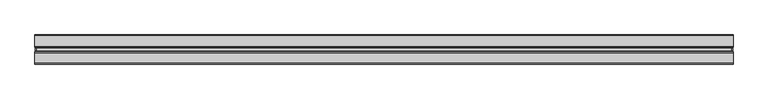
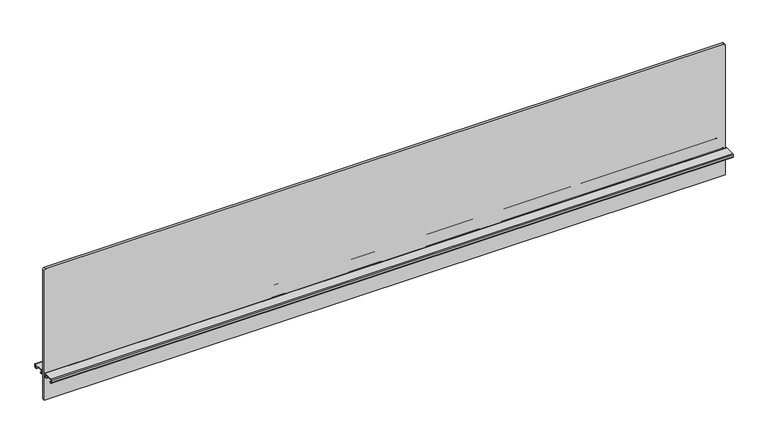
"""IFC4 building model written with IfcOpenShell, lengths in millimetres: furniture geometry."""

from ifc_helpers import new_model, si_unit, point, frame, frame_2d, origin, place, context, project, spatial, polyline, circle_curve, trimmed, segment, composite_curve, outline, extrude, source, transform, mapped, element, save


def furniture_8ca163fc(model_context):
    return source(origin(), model_context, "Body", "SweptSolid", [
        extrude(outline(composite_curve([segment(polyline([(1061.059613, 909.32), (1061.059613, -909.32)]), True, "CONTINUOUS"), segment(trimmed(circle_curve(frame_2d((1057.249613, -909.32)), 3.81), [point((1061.059613, -909.32))], [point((1057.249613, -913.13))], False, "CARTESIAN"), True, "CONTINUOUS"), segment(polyline([(1057.249613, -913.13), (689.965613, -913.13), (689.965613, 913.13), (1057.249613, 913.13)]), True, "CONTINUOUS"), segment(trimmed(circle_curve(frame_2d((1057.249613, 909.32)), 3.81), [point((1057.249613, 913.13))], [point((1061.059613, 909.32))], False, "CARTESIAN"), True, "CONTINUOUS")], self_intersect=False)), frame((0.0, -3.683001, 0.0), z_axis=(0.0, 1.0, 0.0), x_axis=(0.0, 0.0, 1.0)), (0.0, 0.0, 1.0), 7.3660021),
        extrude(outline(composite_curve([segment(polyline([(8.1724496, 769.2644064), (36.0679996, 769.2644064)]), True, "CONTINUOUS"), segment(trimmed(circle_curve(frame_2d((36.0679996, 767.2324064)), 2.032), [point((36.0679996, 769.2644064))], [point((38.0999996, 767.2324064))], False, "CARTESIAN"), True, "CONTINUOUS"), segment(polyline([(38.0999996, 767.2324064), (38.0999996, 761.1364161)]), True, "CONTINUOUS"), segment(trimmed(circle_curve(frame_2d((36.0679996, 761.1364161)), 2.032), [point((38.0999996, 761.1364161))], [point((36.0679996, 759.1044161))], False, "CARTESIAN"), True, "CONTINUOUS"), segment(polyline([(36.0679996, 759.1044161), (30.7784504, 759.1044161), (30.7784504, 760.0187498), (36.1695996, 760.0187498)]), True, "CONTINUOUS"), segment(trimmed(circle_curve(frame_2d((36.1695996, 761.0347498)), 1.016), [point((36.1695996, 760.0187498))], [point((37.1855996, 761.0347498))], True, "CARTESIAN"), True, "CONTINUOUS"), segment(polyline([(37.1855996, 761.0347498), (37.1855996, 767.334)]), True, "CONTINUOUS"), segment(trimmed(circle_curve(frame_2d((36.1695996, 767.334)), 1.016), [point((37.1855996, 767.334))], [point((36.1695996, 768.35))], True, "CARTESIAN"), True, "CONTINUOUS"), segment(polyline([(36.1695996, 768.35), (8.0708496, 768.35)]), True, "CONTINUOUS"), segment(trimmed(circle_curve(frame_2d((8.0708496, 767.334)), 1.016), [point((8.0708496, 768.35))], [point((7.0548496, 767.334))], True, "CARTESIAN"), True, "CONTINUOUS"), segment(polyline([(7.0548496, 767.334), (7.0548496, 761.0347498)]), True, "CONTINUOUS"), segment(trimmed(circle_curve(frame_2d((8.0708496, 761.0347498)), 1.016), [point((7.0548496, 761.0347498))], [point((8.0708496, 760.0187498))], True, "CARTESIAN"), True, "CONTINUOUS"), segment(polyline([(8.0708496, 760.0187498), (13.4619988, 760.0187498), (13.4619988, 759.1044161), (8.1724496, 759.1044161)]), True, "CONTINUOUS"), segment(trimmed(circle_curve(frame_2d((8.1724496, 761.1364161)), 2.032), [point((8.1724496, 759.1044161))], [point((6.1404496, 761.1364161))], False, "CARTESIAN"), True, "CONTINUOUS"), segment(polyline([(6.1404496, 761.1364161), (6.1404496, 767.2324064)]), True, "CONTINUOUS"), segment(trimmed(circle_curve(frame_2d((8.1724496, 767.2324064)), 2.032), [point((6.1404496, 767.2324064))], [point((8.1724496, 769.2644064))], False, "CARTESIAN"), True, "CONTINUOUS")], self_intersect=False)), frame((-914.4, 0.0, 0.0), z_axis=(1.0, 0.0, 0.0), x_axis=(0.0, 1.0, 0.0)), (0.0, 0.0, 1.0), 1828.8),
        extrude(outline(composite_curve([segment(trimmed(circle_curve(frame_2d((-8.1724496, 767.2324064)), 2.032), [point((-8.1724496, 769.2644064))], [point((-6.1404496, 767.2324064))], False, "CARTESIAN"), True, "CONTINUOUS"), segment(polyline([(-6.1404496, 767.2324064), (-6.1404496, 761.1364161)]), True, "CONTINUOUS"), segment(trimmed(circle_curve(frame_2d((-8.1724496, 761.1364161)), 2.032), [point((-6.1404496, 761.1364161))], [point((-8.1724496, 759.1044161))], False, "CARTESIAN"), True, "CONTINUOUS"), segment(polyline([(-8.1724496, 759.1044161), (-13.4619988, 759.1044161), (-13.4619988, 760.0187498), (-8.0708496, 760.0187498)]), True, "CONTINUOUS"), segment(trimmed(circle_curve(frame_2d((-8.0708496, 761.0347498)), 1.016), [point((-8.0708496, 760.0187498))], [point((-7.0548496, 761.0347498))], True, "CARTESIAN"), True, "CONTINUOUS"), segment(polyline([(-7.0548496, 761.0347498), (-7.0548496, 767.334)]), True, "CONTINUOUS"), segment(trimmed(circle_curve(frame_2d((-8.0708496, 767.334)), 1.016), [point((-7.0548496, 767.334))], [point((-8.0708496, 768.35))], True, "CARTESIAN"), True, "CONTINUOUS"), segment(polyline([(-8.0708496, 768.35), (-36.1695996, 768.35)]), True, "CONTINUOUS"), segment(trimmed(circle_curve(frame_2d((-36.1695996, 767.334)), 1.016), [point((-36.1695996, 768.35))], [point((-37.1855996, 767.334))], True, "CARTESIAN"), True, "CONTINUOUS"), segment(polyline([(-37.1855996, 767.334), (-37.1855996, 761.0347498)]), True, "CONTINUOUS"), segment(trimmed(circle_curve(frame_2d((-36.1695996, 761.0347498)), 1.016), [point((-37.1855996, 761.0347498))], [point((-36.1695996, 760.0187498))], True, "CARTESIAN"), True, "CONTINUOUS"), segment(polyline([(-36.1695996, 760.0187498), (-30.7784504, 760.0187498), (-30.7784504, 759.1044161), (-36.0679996, 759.1044161)]), True, "CONTINUOUS"), segment(trimmed(circle_curve(frame_2d((-36.0679996, 761.1364161)), 2.032), [point((-36.0679996, 759.1044161))], [point((-38.0999996, 761.1364161))], False, "CARTESIAN"), True, "CONTINUOUS"), segment(polyline([(-38.0999996, 761.1364161), (-38.0999996, 767.2324064)]), True, "CONTINUOUS"), segment(trimmed(circle_curve(frame_2d((-36.0679996, 767.2324064)), 2.032), [point((-38.0999996, 767.2324064))], [point((-36.0679996, 769.2644064))], False, "CARTESIAN"), True, "CONTINUOUS"), segment(polyline([(-36.0679996, 769.2644064), (-8.1724496, 769.2644064)]), True, "CONTINUOUS")], self_intersect=False)), frame((-914.4, 0.0, 0.0), z_axis=(1.0, 0.0, 0.0), x_axis=(0.0, 1.0, 0.0)), (0.0, 0.0, 1.0), 1828.8),
    ])


if __name__ == "__main__":
    model = new_model("IFC4")
    model_context = context("Model", 3, world=origin())
    ifc_project = project(units=[si_unit("LENGTHUNIT", "METRE", prefix="MILLI")], contexts=[model_context])
    site = spatial("IfcSite", under=ifc_project)
    building = spatial("IfcBuilding", under=site)
    placement = place(None, origin())
    furniture_shape = furniture_8ca163fc(model_context)
    element("IfcFurniture", 1, at=placement, inside=building, context=model_context, shape_type="MappedRepresentation", body=[
        mapped(furniture_shape, transform((0.0, 0.0, 0.0), x_axis=(1.0, 0.0, 0.0), y_axis=(0.0, 1.0, 0.0), z_axis=(0.0, 0.0, 1.0))),
    ])
    save(model, "model.ifc")
